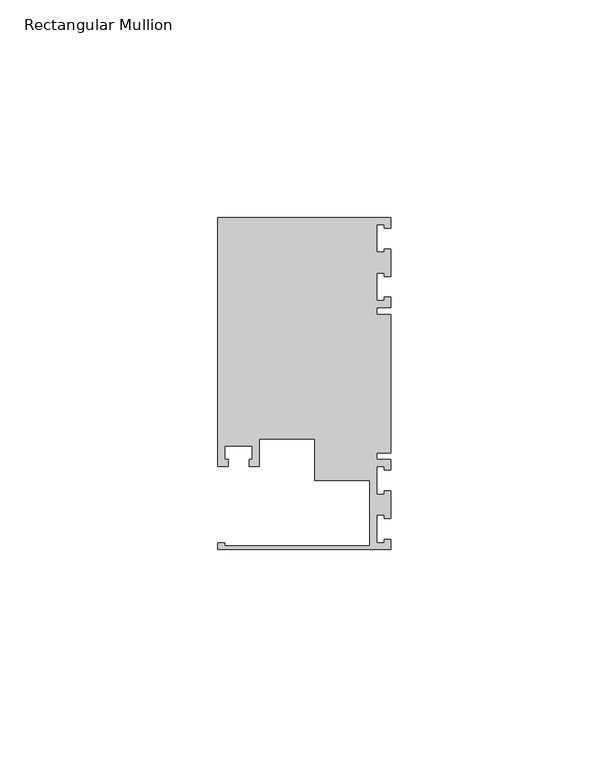
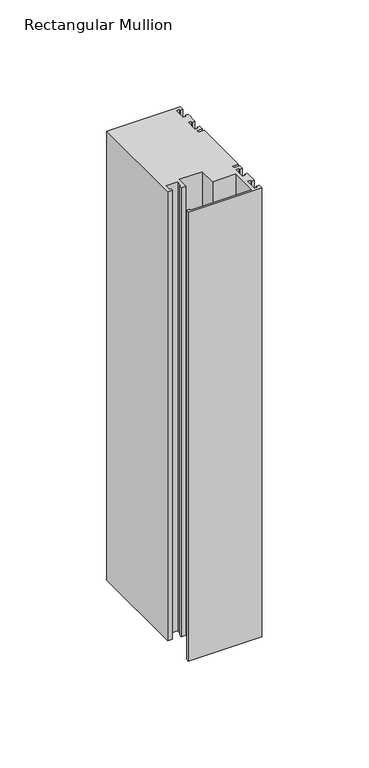
"""IFC4 building model written with IfcOpenShell, lengths in millimetres: member geometry, Rectangular Mullion."""

from ifc_helpers import new_model, si_unit, frame, origin, place, context, project, spatial, polyline, outline, extrude, source, transform, mapped, element, save


def rectangular_mullion_7b301b2b(model_context):
    return source(origin(), model_context, "Body", "SweptSolid", [
        extrude(outline(polyline([(0.0, -38.1), (-39.6875, -38.1), (-39.6875, -36.5125), (-38.1, -36.5125), (-38.1, -37.30625), (-4.8585733, -37.30625), (-4.8585733, -22.225), (-17.4625, -22.225), (-17.4625, -12.6999969), (-30.1625, -12.6999969), (-30.1625, -19.05), (-32.54375, -19.05), (-32.54375, -17.4625), (-31.75, -17.4625), (-31.75, -14.2875), (-38.1, -14.2875), (-38.1, -17.4625), (-37.30625, -17.4625), (-37.30625, -19.05), (-39.6875, -19.05), (-39.6875, 38.1), (0.0, 38.1), (0.0, 35.71875), (-1.4999946, 35.71875), (-1.4999946, 36.5125), (-3.175, 36.5125), (-3.175, 30.1625), (-1.4999946, 30.1625), (-1.4999946, 30.95625), (0.0, 30.95625), (0.0, 24.60625), (-1.4999946, 24.60625), (-1.4999946, 25.4), (-3.175, 25.4), (-3.175, 19.05), (-1.4999946, 19.05), (-1.4999946, 19.84375), (0.0, 19.84375), (0.0, 17.4625), (-3.175, 17.4625), (-3.175, 15.875), (0.0, 15.875), (0.0, -15.875), (-3.175, -15.875), (-3.175, -17.4625), (0.0, -17.4625), (0.0, -19.84375), (-1.4999946, -19.84375), (-1.4999946, -19.05), (-3.175, -19.05), (-3.175, -25.4), (-1.4999946, -25.4), (-1.4999946, -24.60625), (0.0, -24.60625), (0.0, -30.95625), (-1.4999946, -30.95625), (-1.4999946, -30.1625), (-3.175, -30.1625), (-3.175, -36.5125), (-1.4999946, -36.5125), (-1.4999946, -35.71875), (0.0, -35.71875), (0.0, -38.1)])), frame((0.0, 0.0, -256.38125), z_axis=(0.0, 0.0, 1.0), x_axis=(1.0, 0.0, 0.0)), (0.0, 0.0, 1.0), 256.38125),
    ])


if __name__ == "__main__":
    model = new_model("IFC4")
    model_context = context("Model", 3, world=origin())
    ifc_project = project(units=[si_unit("LENGTHUNIT", "METRE", prefix="MILLI")], contexts=[model_context])
    site = spatial("IfcSite", under=ifc_project)
    building = spatial("IfcBuilding", under=site)
    placement = place(None, origin())
    rectangular_mullion_shape = rectangular_mullion_7b301b2b(model_context)
    element("IfcMember", 1, ObjectType="Rectangular Mullion", at=placement, inside=building, context=model_context, shape_type="MappedRepresentation", body=[
        mapped(rectangular_mullion_shape, transform((0.0, 0.0, 0.0), x_axis=(1.0, 0.0, 0.0), y_axis=(0.0, 1.0, 0.0), z_axis=(0.0, 0.0, 1.0))),
    ])
    save(model, "model.ifc")
